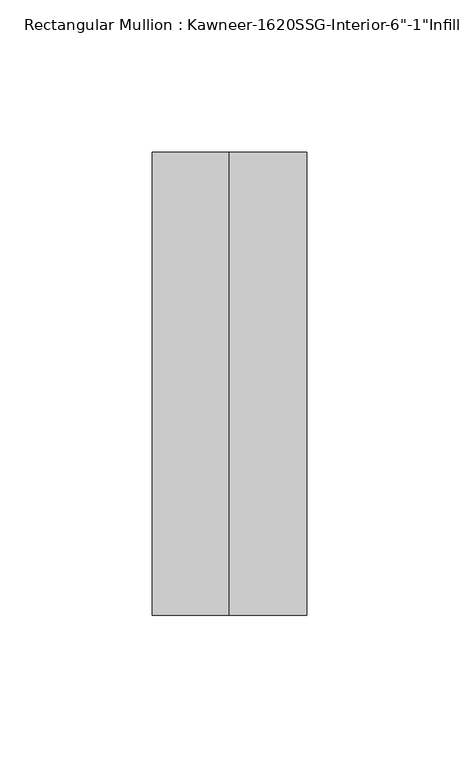
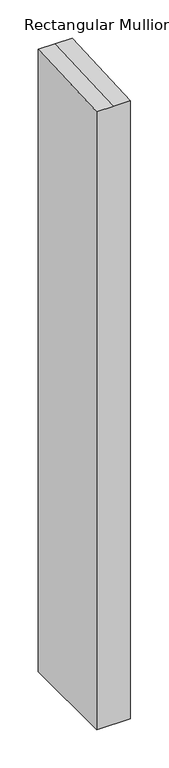
"""IFC4 building model written with IfcOpenShell, lengths in millimetres: member geometry."""

from ifc_helpers import new_model, si_unit, origin, place, context, project, spatial, faceted_brep, source, transform, mapped, element, save


def member_6867f246(model_context):
    return source(origin(), model_context, "Body", "Brep", [
        faceted_brep([(25.4, -114.3, -989.6185744), (-25.4, -114.3, -989.6185744), (-25.4, 38.1, -989.6185744), (25.4, 38.1, -989.6185744), (25.4, 38.1, 1.2476114), (25.4, -114.3, -5.4063163), (-25.4, 38.1, 1.2476114), (0.0, 38.1, 1.2476114), (-25.4, -114.3, -5.4063163), (0.0, -114.3, -5.4063163)], [[[0, 1, 2, 3]], [[4, 5, 0, 3]], [[6, 7, 4, 3, 2]], [[8, 6, 2, 1]], [[5, 9, 8, 1, 0]], [[5, 4, 7, 9]], [[7, 6, 8, 9]]]),
    ])


if __name__ == "__main__":
    model = new_model("IFC4")
    model_context = context("Model", 3, world=origin())
    ifc_project = project(units=[si_unit("LENGTHUNIT", "METRE", prefix="MILLI")], contexts=[model_context])
    site = spatial("IfcSite", under=ifc_project)
    building = spatial("IfcBuilding", under=site)
    placement = place(None, origin())
    member_shape = member_6867f246(model_context)
    element("IfcMember", 1, ObjectType="Rectangular Mullion : Kawneer-1620SSG-Interior-6\"-1\"Infill", at=placement, inside=building, context=model_context, shape_type="MappedRepresentation", body=[
        mapped(member_shape, transform((0.0, 0.0, 0.0), x_axis=(1.0, 0.0, 0.0), y_axis=(0.0, 1.0, 0.0), z_axis=(0.0, 0.0, 1.0))),
    ])
    save(model, "model.ifc")
